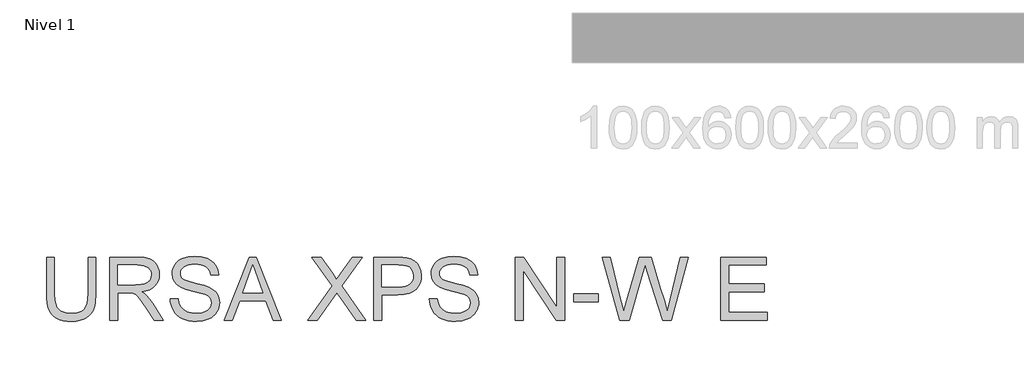
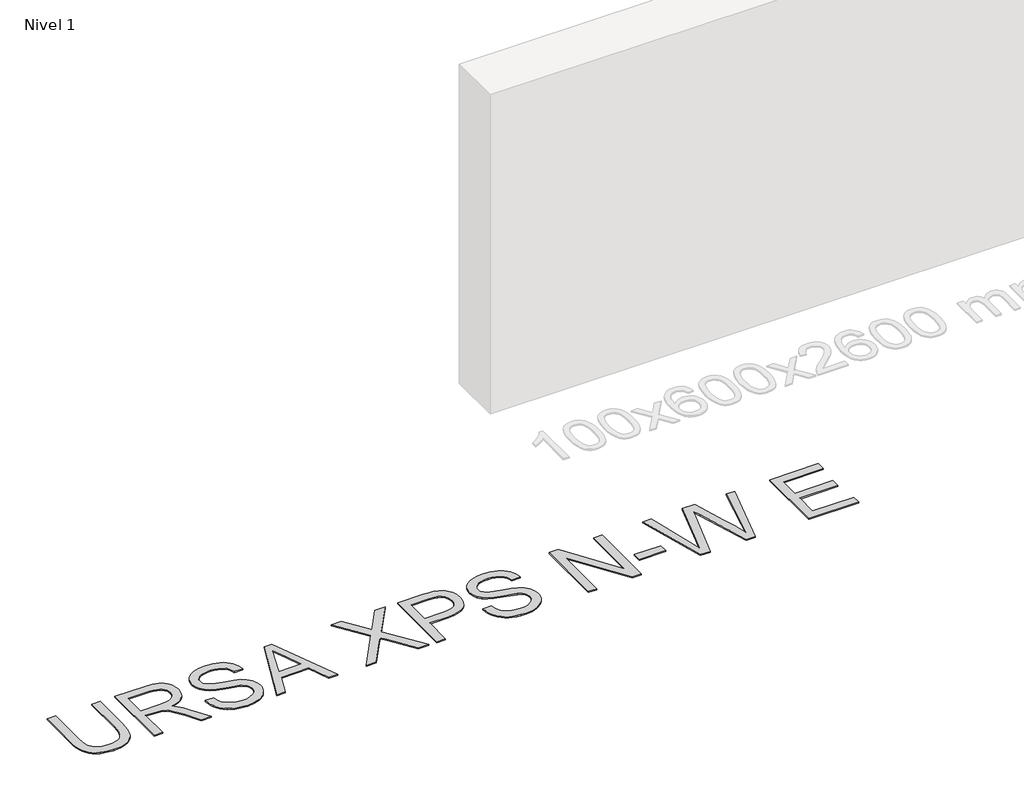
# One storey, part 3 of 8: 1 proxy.
"""IFC4 building model written with IfcOpenShell, lengths in millimetres."""

from ifc_helpers import new_model, si_unit, origin, origin_with_axes, place, context, project, spatial, polyline, outline, extrude, element, save

model = new_model("IFC4")

# Units and contexts
model_context = context("Model", 3, world=origin())
ifc_project = project(units=[si_unit("LENGTHUNIT", "METRE", prefix="MILLI")], contexts=[model_context])

# Site, building, storey
site = spatial("IfcSite", under=ifc_project)
building = spatial("IfcBuilding", under=site)
storey = spatial("IfcBuildingStorey", under=building, Name="Nivel 1", Elevation=0.0)

# Proxy
placement = place(None, origin())
element("IfcBuildingElementProxy", 1, Name="Texto de modelo 3", ObjectType="Texto de modelo 3", at=placement, inside=storey, context=model_context, shape_type="SweptSolid", body=[
    extrude(outline(polyline([(-18089.0770259, -1458.3522814), (-18013.7347933, -1458.3522814), (-18013.7347933, -1806.0743432), (-18018.848353, -1887.5050228), (-18025.2403027, -1921.1984151), (-18034.1890322, -1950.2105089), (-18046.4670938, -1975.6403518), (-18062.8470396, -1998.5869913), (-18083.3288697, -2019.0504273), (-18107.912584, -2037.0306598), (-18136.6257738, -2051.6769617), (-18169.49603, -2062.1386059), (-18206.5233528, -2068.4155925), (-18247.7077422, -2070.5079213), (-18287.8758575, -2068.6869055), (-18324.2088031, -2063.2238578), (-18356.7065788, -2054.1187784), (-18385.3691848, -2041.3716673), (-18410.2012195, -2025.1710639), (-18431.2072814, -2005.7055079), (-18448.3873706, -1982.9749991), (-18461.741487, -1956.9795376), (-18471.7524758, -1926.8270096), (-18478.9031821, -1891.6253012), (-18483.1936058, -1851.3744124), (-18484.6237471, -1806.0743432), (-18484.6237471, -1458.3522814), (-18409.2815145, -1458.3522814), (-18409.2815145, -1803.4255928), (-18405.5659063, -1871.134274), (-18394.4190819, -1918.2783517), (-18385.6542933, -1935.6561775), (-18374.2223603, -1950.9278788), (-18360.1232829, -1964.0934557), (-18343.3570609, -1975.1529082), (-18303.1107707, -1990.1624936), (-18254.7710765, -1995.1656887), (-18213.2463963, -1992.6916823), (-18178.1412569, -1985.269663), (-18149.4556583, -1972.899631), (-18127.1896006, -1955.581586), (-18110.5153491, -1931.227798), (-18098.6051696, -1897.7505364), (-18091.4590618, -1855.1498014), (-18089.0770259, -1803.4255928), (-18089.0770259, -1458.3522814)])), origin_with_axes(), (0.0, 0.0, 1.0), 10.0),
    extrude(outline(polyline([(-17881.8858862, -2061.0901423), (-17881.8858862, -1458.3522814), (-17622.1611976, -1458.3522814), (-17552.355589, -1462.4173774), (-17501.5694796, -1474.6126655), (-17481.9705663, -1484.3063561), (-17464.4501863, -1497.1270436), (-17449.0083395, -1513.0747281), (-17435.645026, -1532.1494096), (-17424.8614851, -1553.3256169), (-17417.1589558, -1575.5778791), (-17412.5374382, -1598.9061961), (-17410.9969324, -1623.310568), (-17413.5491137, -1654.2678379), (-17421.2056577, -1682.686722), (-17433.9665644, -1708.5672204), (-17451.8318338, -1731.909333), (-17475.0313922, -1751.9680988), (-17503.7951656, -1767.9985567), (-17538.1231543, -1780.0007068), (-17578.0153582, -1787.974549), (-17553.1833235, -1804.198145), (-17535.1938939, -1820.2010118), (-17504.3285945, -1856.8052703), (-17474.1254827, -1897.7505364), (-17373.6201217, -2061.0901423), (-17461.1760365, -2061.0901423), (-17539.6084779, -1936.1574167), (-17596.2623051, -1853.4575442), (-17617.3235494, -1829.3428794), (-17636.067137, -1814.3884763), (-17671.8988433, -1800.0410785), (-17715.6032244, -1797.3923281), (-17806.5436536, -1797.3923281), (-17806.5436536, -2061.0901423), (-17881.8858862, -2061.0901423)]), holes=[polyline([(-17806.5436536, -1722.0500955), (-17637.906547, -1722.0500955), (-17589.4748823, -1719.382951), (-17551.8957365, -1711.3815176), (-17523.6056111, -1697.5123664), (-17503.0410076, -1677.2420685), (-17490.5146256, -1652.7227335), (-17486.339165, -1626.1064712), (-17488.3303263, -1606.8386517), (-17494.3038102, -1589.3550598), (-17504.2596167, -1573.6556957), (-17518.1977458, -1559.7405592), (-17536.4400942, -1548.3454144), (-17559.3085587, -1540.2060253), (-17586.8031393, -1535.3223918), (-17618.923836, -1533.694514), (-17806.5436536, -1533.694514), (-17806.5436536, -1722.0500955)])]), origin_with_axes(), (0.0, 0.0, 1.0), 10.0),
    extrude(outline(polyline([(-17307.4013625, -1853.8990026), (-17232.0591299, -1853.8990026), (-17223.413903, -1895.7087913), (-17207.7789182, -1929.3148116), (-17183.3883419, -1955.9862562), (-17148.4763406, -1976.9923182), (-17105.8020292, -1990.6223461), (-17058.1245226, -1995.1656887), (-17016.1491869, -1991.7259921), (-16979.3977756, -1981.4069021), (-16949.6177281, -1965.0729415), (-16928.5564839, -1943.588633), (-16916.030102, -1918.9221452), (-16911.8546413, -1893.0416469), (-16914.9816383, -1867.8233361), (-16924.3626291, -1846.0263279), (-16943.4189165, -1827.429893), (-16975.5718029, -1811.8133023), (-17085.2742138, -1783.0449303), (-17157.2871144, -1764.007037), (-17203.3643343, -1745.8888488), (-17240.8699037, -1720.5417793), (-17267.4493778, -1689.8236327), (-17283.2866977, -1654.3965966), (-17288.5658044, -1614.9228585), (-17286.933328, -1592.4866553), (-17282.035899, -1570.7954132), (-17273.8735172, -1549.8491321), (-17262.4461827, -1529.647812), (-17247.8826542, -1511.014589), (-17230.3116904, -1494.7725989), (-17209.7332913, -1480.9218418), (-17186.1474569, -1469.4623176), (-17133.1356614, -1454.0664561), (-17074.4584832, -1448.9345023), (-17010.8884744, -1454.3055794), (-16955.2647167, -1470.4188108), (-16930.9293228, -1482.4209609), (-16909.5737729, -1496.9431027), (-16891.1980673, -1513.9852361), (-16875.8022058, -1533.5473612), (-16863.5057501, -1555.0592608), (-16854.4282619, -1577.950718), (-16848.5697411, -1602.2217326), (-16845.9301878, -1627.8723047), (-16921.2724204, -1627.8723047), (-16926.3124037, -1603.8312163), (-16935.1047834, -1582.9171249), (-16947.6495594, -1565.1300305), (-16963.9467318, -1550.4699329), (-16984.2998032, -1539.0104088), (-17009.0122762, -1530.8250344), (-17038.0841509, -1525.9138098), (-17071.5154272, -1524.2767349), (-17106.0135613, -1525.8954157), (-17135.4901062, -1530.751458), (-17159.9450618, -1538.8448619), (-17179.3784282, -1550.1756274), (-17194.1856785, -1563.7964582), (-17204.7622859, -1578.7600584), (-17211.1082503, -1595.0664278), (-17213.2235718, -1612.7155665), (-17211.7244526, -1627.8998959), (-17207.2270952, -1641.6678796), (-17199.7314996, -1654.0195175), (-17189.2376657, -1664.9548098), (-17172.7197641, -1675.310688), (-17146.710507, -1685.7769308), (-17066.2179265, -1707.0405101), (-16983.150172, -1727.2372316), (-16932.8974914, -1744.8587792), (-16889.9472685, -1772.1924114), (-16873.3419949, -1788.2596576), (-16859.98328, -1805.9271904), (-16849.7147738, -1825.1030394), (-16842.3801265, -1845.6952341), (-16836.5124087, -1891.1286605), (-16838.2000674, -1914.6961008), (-16843.2630433, -1937.5737624), (-16851.7013366, -1959.7616452), (-16863.5149471, -1981.2597493), (-16878.4969414, -2001.2357416), (-16896.4403857, -2018.8572892), (-16917.3452801, -2034.124392), (-16941.2116245, -2047.03705), (-16967.3450418, -2057.3055562), (-16995.0511545, -2064.6402035), (-17055.1814666, -2070.5079213), (-17093.7217042, -2068.9260288), (-17128.996989, -2064.180351), (-17161.0073211, -2056.2708881), (-17189.7527005, -2045.1976401), (-17215.4078711, -2030.9422127), (-17238.1475769, -2013.4862121), (-17257.9718179, -1992.829638), (-17274.8805942, -1968.9724907), (-17288.501425, -1942.6873221), (-17298.46183, -1914.7466846), (-17304.7618092, -1885.1505781), (-17307.4013625, -1853.8990026)])), origin_with_axes(), (0.0, 0.0, 1.0), 10.0),
    extrude(outline(polyline([(-16793.6909445, -2061.0901423), (-16553.0961196, -1458.3522814), (-16488.9374997, -1458.3522814), (-16248.3426748, -2061.0901423), (-16327.9523386, -2061.0901423), (-16396.9670009, -1872.7345607), (-16645.2137712, -1872.7345607), (-16714.0812807, -2061.0901423), (-16793.6909445, -2061.0901423)]), holes=[polyline([(-16617.5490452, -1797.3923281), (-16424.4845741, -1797.3923281), (-16478.7839566, -1649.2094605), (-16521.0168096, -1533.694514), (-16558.5407731, -1636.2600142), (-16617.5490452, -1797.3923281)])]), origin_with_axes(), (0.0, 0.0, 1.0), 10.0),
    extrude(outline(polyline([(-15998.3300709, -2061.0901423), (-15765.9758027, -1732.645097), (-15960.6589546, -1458.3522814), (-15870.3071366, -1458.3522814), (-15760.678302, -1612.7155665), (-15734.5218921, -1651.8214226), (-15723.7429497, -1672.9010609), (-15680.4800271, -1611.6854969), (-15572.0284149, -1458.3522814), (-15480.3522217, -1458.3522814), (-15675.0353735, -1733.5280137), (-15442.6811054, -2061.0901423), (-15533.0329234, -2061.0901423), (-15687.837667, -1842.7153899), (-15720.0641297, -1797.3923281), (-15755.5279541, -1847.1299739), (-15906.6538777, -2061.0901423), (-15998.3300709, -2061.0901423)])), origin_with_axes(), (0.0, 0.0, 1.0), 10.0),
    extrude(outline(polyline([(-15367.3388728, -2061.0901423), (-15367.3388728, -1458.3522814), (-15143.9609253, -1458.3522814), (-15091.9424112, -1459.7870211), (-15053.9034129, -1464.0912405), (-15013.7490931, -1474.8150006), (-14980.6948958, -1492.2710013), (-14954.0786335, -1517.2501888), (-14933.2381185, -1550.5435093), (-14919.7736374, -1589.8149123), (-14915.2854771, -1632.7283471), (-14918.315905, -1669.7280787), (-14927.4071888, -1703.7663603), (-14942.5593285, -1734.8431919), (-14963.7723241, -1762.9585734), (-14992.8947825, -1786.2638978), (-15031.7753109, -1802.910558), (-15080.4139091, -1812.8985542), (-15138.8105774, -1816.2278863), (-15291.9966401, -1816.2278863), (-15291.9966401, -2061.0901423), (-15367.3388728, -2061.0901423)]), holes=[polyline([(-15291.9966401, -1740.8856537), (-15134.3959934, -1740.8856537), (-15098.1596169, -1739.1566083), (-15067.5886231, -1733.9694721), (-15042.683012, -1725.3242453), (-15023.4427837, -1713.2209276), (-15009.0861888, -1697.981416), (-14998.8314782, -1679.9276071), (-14992.6786518, -1659.0595009), (-14990.6277097, -1635.3770974), (-14995.4653579, -1601.5319539), (-15009.9783026, -1572.9843111), (-15032.3639221, -1551.5000025), (-15060.8195944, -1538.8448619), (-15089.882272, -1534.982101), (-15136.161827, -1533.694514), (-15291.9966401, -1533.694514), (-15291.9966401, -1740.8856537)])]), origin_with_axes(), (0.0, 0.0, 1.0), 10.0),
    extrude(outline(polyline([(-14839.9432445, -1853.8990026), (-14764.6010119, -1853.8990026), (-14755.955785, -1895.7087913), (-14740.3208002, -1929.3148116), (-14715.9302239, -1955.9862562), (-14681.0182226, -1976.9923182), (-14638.3439111, -1990.6223461), (-14590.6664045, -1995.1656887), (-14548.6910689, -1991.7259921), (-14511.9396576, -1981.4069021), (-14482.1596101, -1965.0729415), (-14461.0983658, -1943.588633), (-14448.5719839, -1918.9221452), (-14444.3965233, -1893.0416469), (-14447.5235202, -1867.8233361), (-14456.9045111, -1846.0263279), (-14475.9607984, -1827.429893), (-14508.1136848, -1811.8133023), (-14617.8160958, -1783.0449303), (-14689.8289963, -1764.007037), (-14735.9062162, -1745.8888488), (-14773.4117856, -1720.5417793), (-14799.9912598, -1689.8236327), (-14815.8285797, -1654.3965966), (-14821.1076863, -1614.9228585), (-14819.47521, -1592.4866553), (-14814.5777809, -1570.7954132), (-14806.4153991, -1549.8491321), (-14794.9880647, -1529.647812), (-14780.4245362, -1511.014589), (-14762.8535724, -1494.7725989), (-14742.2751733, -1480.9218418), (-14718.6893389, -1469.4623176), (-14665.6775434, -1454.0664561), (-14607.0003651, -1448.9345023), (-14543.4303564, -1454.3055794), (-14487.8065987, -1470.4188108), (-14463.4712047, -1482.4209609), (-14442.1156549, -1496.9431027), (-14423.7399492, -1513.9852361), (-14408.3440877, -1533.5473612), (-14396.047632, -1555.0592608), (-14386.9701438, -1577.950718), (-14381.111623, -1602.2217326), (-14378.4720697, -1627.8723047), (-14453.8143023, -1627.8723047), (-14458.8542857, -1603.8312163), (-14467.6466654, -1582.9171249), (-14480.1914414, -1565.1300305), (-14496.4886138, -1550.4699329), (-14516.8416852, -1539.0104088), (-14541.5541582, -1530.8250344), (-14570.6260329, -1525.9138098), (-14604.0573092, -1524.2767349), (-14638.5554433, -1525.8954157), (-14668.0319881, -1530.751458), (-14692.4869438, -1538.8448619), (-14711.9203102, -1550.1756274), (-14726.7275605, -1563.7964582), (-14737.3041678, -1578.7600584), (-14743.6501322, -1595.0664278), (-14745.7654537, -1612.7155665), (-14744.2663346, -1627.8998959), (-14739.7689772, -1641.6678796), (-14732.2733815, -1654.0195175), (-14721.7795476, -1664.9548098), (-14705.261646, -1675.310688), (-14679.252389, -1685.7769308), (-14598.7598084, -1707.0405101), (-14515.6920539, -1727.2372316), (-14465.4393734, -1744.8587792), (-14422.4891504, -1772.1924114), (-14405.8838769, -1788.2596576), (-14392.5251619, -1805.9271904), (-14382.2566557, -1825.1030394), (-14374.9220085, -1845.6952341), (-14369.0542906, -1891.1286605), (-14370.7419493, -1914.6961008), (-14375.8049253, -1937.5737624), (-14384.2432185, -1959.7616452), (-14396.0568291, -1981.2597493), (-14411.0388233, -2001.2357416), (-14428.9822677, -2018.8572892), (-14449.887162, -2034.124392), (-14473.7535065, -2047.03705), (-14499.8869237, -2057.3055562), (-14527.5930365, -2064.6402035), (-14587.7233486, -2070.5079213), (-14626.2635861, -2068.9260288), (-14661.5388709, -2064.180351), (-14693.549203, -2056.2708881), (-14722.2945824, -2045.1976401), (-14747.9497531, -2030.9422127), (-14770.6894589, -2013.4862121), (-14790.5136999, -1992.829638), (-14807.4224761, -1968.9724907), (-14821.043307, -1942.6873221), (-14831.003712, -1914.7466846), (-14837.3036912, -1885.1505781), (-14839.9432445, -1853.8990026)])), origin_with_axes(), (0.0, 0.0, 1.0), 10.0),
    extrude(outline(polyline([(-14020.5964648, -2061.0901423), (-14020.5964648, -1458.3522814), (-13939.9567315, -1458.3522814), (-13625.0497436, -1935.8631111), (-13625.0497436, -1458.3522814), (-13549.707511, -1458.3522814), (-13549.707511, -2061.0901423), (-13630.3472443, -2061.0901423), (-13945.2542322, -1583.4321597), (-13945.2542322, -2061.0901423), (-14020.5964648, -2061.0901423)])), origin_with_axes(), (0.0, 0.0, 1.0), 10.0),
    extrude(outline(polyline([(-13464.9474993, -1882.1523398), (-13464.9474993, -1806.8101072), (-13229.5030224, -1806.8101072), (-13229.5030224, -1882.1523398), (-13464.9474993, -1882.1523398)])), origin_with_axes(), (0.0, 0.0, 1.0), 10.0),
    extrude(outline(polyline([(-13027.4622306, -2061.0901423), (-13191.8319061, -1458.3522814), (-13114.1352287, -1458.3522814), (-13018.7802156, -1854.4876138), (-12989.3496559, -1976.771589), (-12957.8589571, -1868.6142824), (-12838.3708851, -1458.3522814), (-12726.3876058, -1458.3522814), (-12639.5674549, -1755.7480863), (-12602.3745852, -1866.1126848), (-12574.9673766, -1976.771589), (-12546.4197337, -1858.0192809), (-12450.1818038, -1458.3522814), (-12372.4851264, -1458.3522814), (-12537.0019547, -2061.0901423), (-12617.4945352, -2061.0901423), (-12761.9985829, -1596.0873004), (-12782.1585163, -1531.1929164), (-12804.8200472, -1609.3310522), (-12936.5218014, -2061.0901423), (-13027.4622306, -2061.0901423)])), origin_with_axes(), (0.0, 0.0, 1.0), 10.0),
    extrude(outline(polyline([(-12061.6984169, -2061.0901423), (-12061.6984169, -1458.3522814), (-11628.4805794, -1458.3522814), (-11628.4805794, -1533.694514), (-11986.3561843, -1533.694514), (-11986.3561843, -1712.6323164), (-11647.3161375, -1712.6323164), (-11647.3161375, -1787.974549), (-11986.3561843, -1787.974549), (-11986.3561843, -1985.7479096), (-11619.0628003, -1985.7479096), (-11619.0628003, -2061.0901423), (-12061.6984169, -2061.0901423)])), origin_with_axes(), (0.0, 0.0, 1.0), 10.0),
])

save(model, "model.ifc")
